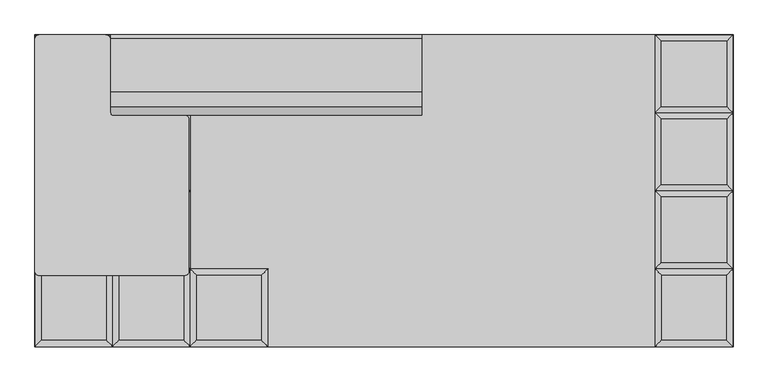
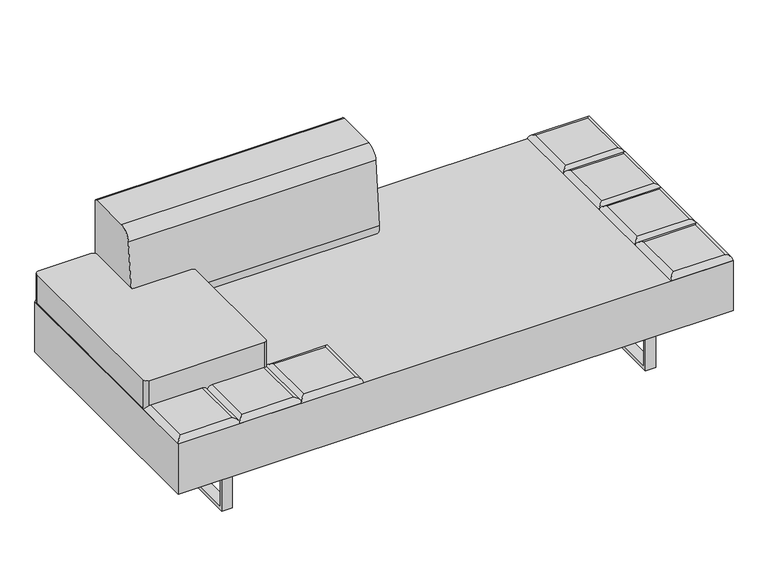
"""IFC4 building model written with IfcOpenShell, lengths in millimetres: furniture geometry."""

from ifc_helpers import new_model, si_unit, point, frame, frame_2d, origin, place, context, project, spatial, polyline, circle_curve, ellipse_curve, trimmed, segment, composite_curve, outline, extrude, source, transform, mapped, element, save
from ifc_brep_helpers import plane_surface, cylinder_surface, advanced_brep


def furniture_06182e2f(model_context):
    return source(origin(), model_context, "Body", "SolidModel", [
        advanced_brep(
        [(-330.2, -222.25, 393.7), (-348.1605122, -240.2105122, 411.6605122), (-348.1605122, -426.5394878, 411.6605122), (-330.2, -444.5, 393.7), (-534.4894878, -426.5394878, 411.6605122), (-552.45, -444.5, 393.7), (-534.4894878, -240.2105122, 411.6605122), (-552.45, -222.25, 393.7)],
        [
            (0, 1, ellipse_curve(frame((-348.1605122, -240.2105122, 393.7), z_axis=(0.7071067811865475, -0.7071067811865475, 0.0), x_axis=(0.7071067811865474, 0.7071067811865476, 0.0)), 25.4, 17.9605122)),
            (1, 2),
            (2, 3, ellipse_curve(frame((-348.1605122, -426.5394878, 393.7), z_axis=(0.7071067811865475, 0.7071067811865475, 0.0), x_axis=(-0.7071067811865474, 0.7071067811865476, 0.0)), 25.4, 17.9605122)),
            (3, 0),
            (2, 4),
            (4, 5, ellipse_curve(frame((-534.4894878, -426.5394878, 393.7), z_axis=(0.7071067811865475, -0.7071067811865475, 0.0), x_axis=(0.7071067811865476, 0.7071067811865474, 0.0)), 25.4, 17.9605122)),
            (5, 3),
            (4, 6),
            (6, 7, ellipse_curve(frame((-534.4894878, -240.2105122, 393.7), z_axis=(-0.7071067811865475, -0.7071067811865475, 0.0), x_axis=(0.7071067811865474, -0.7071067811865476, 0.0)), 25.4, 17.9605122)),
            (7, 5),
            (0, 7),
            (6, 1),
        ],
        [
            cylinder_surface(frame((-348.1605122, -222.25, 393.7), z_axis=(0.0, 1.0, 0.0), x_axis=(1.0, 0.0, 0.0)), 17.9605122),
            cylinder_surface(frame((-330.2, -426.5394878, 393.7), z_axis=(1.0, 0.0, 0.0), x_axis=(0.0, -1.0, 0.0)), 17.9605122),
            cylinder_surface(frame((-534.4894878, -444.5, 393.7), z_axis=(0.0, -1.0, 0.0), x_axis=(-1.0, 0.0, 0.0)), 17.9605122),
            cylinder_surface(frame((-552.45, -240.2105122, 393.7), z_axis=(-1.0, 0.0, 0.0), x_axis=(0.0, 1.0, 0.0)), 17.9605122),
            plane_surface(frame((-552.45, -222.25, 393.7), z_axis=(0.0, 0.0, -1.0), x_axis=(1.0, 0.0, 0.0))),
            plane_surface(frame((-534.4894878, -240.2105122, 411.6605122), z_axis=(0.0, 0.0, 1.0), x_axis=(-1.0, 0.0, 0.0))),
        ],
        [
            (0, [[1, 2, 3, 4]]),
            (1, [[-3, 5, 6, 7]]),
            (2, [[-6, 8, 9, 10]]),
            (3, [[-1, 11, -9, 12]]),
            (4, [[-4, -7, -10, -11]]),
            (5, [[-2, -12, -8, -5]]),
        ],
    ),
        advanced_brep(
        [(-568.8230122, -204.2894878, 411.6605122), (-568.8230122, -17.9605122, 411.6605122), (-755.1519878, -17.9605122, 411.6605122), (-755.1519878, -204.2894878, 411.6605122), (-550.8625, 0.0, 393.7), (-550.8625, -222.25, 393.7), (-773.1125, -222.25, 393.7), (-773.1125, 0.0, 393.7)],
        [
            (0, 1),
            (1, 2),
            (2, 3),
            (3, 0),
            (4, 5),
            (5, 6),
            (6, 7),
            (7, 4),
            (4, 1, ellipse_curve(frame((-568.8230122, -17.9605122, 393.7), z_axis=(0.7071067811865475, -0.7071067811865475, 0.0), x_axis=(0.7071067811865474, 0.7071067811865476, 0.0)), 25.4, 17.9605122)),
            (0, 5, ellipse_curve(frame((-568.8230122, -204.2894878, 393.7), z_axis=(0.7071067811865475, 0.7071067811865475, 0.0), x_axis=(-0.7071067811865474, 0.7071067811865476, 0.0)), 25.4, 17.9605122)),
            (3, 6, ellipse_curve(frame((-755.1519878, -204.2894878, 393.7), z_axis=(0.7071067811865475, -0.7071067811865475, 0.0), x_axis=(0.7071067811865476, 0.7071067811865474, 0.0)), 25.4, 17.9605122)),
            (2, 7, ellipse_curve(frame((-755.1519878, -17.9605122, 393.7), z_axis=(-0.7071067811865475, -0.7071067811865475, 0.0), x_axis=(0.7071067811865474, -0.7071067811865476, 0.0)), 25.4, 17.9605122)),
        ],
        [
            plane_surface(frame((-755.1519878, -17.9605122, 411.6605122), z_axis=(0.0, 0.0, 1.0), x_axis=(-1.0, 0.0, 0.0))),
            plane_surface(frame((-755.1519878, -17.9605122, 393.7), z_axis=(0.0, 0.0, -1.0), x_axis=(1.0, 0.0, 0.0))),
            cylinder_surface(frame((-568.8230122, 0.0, 393.7), z_axis=(0.0, 1.0, 0.0), x_axis=(1.0, 0.0, 0.0)), 17.9605122),
            cylinder_surface(frame((-550.8625, -204.2894878, 393.7), z_axis=(1.0, 0.0, 0.0), x_axis=(0.0, -1.0, 0.0)), 17.9605122),
            cylinder_surface(frame((-755.1519878, -222.25, 393.7), z_axis=(0.0, -1.0, 0.0), x_axis=(-1.0, 0.0, 0.0)), 17.9605122),
            cylinder_surface(frame((-773.1125, -17.9605122, 393.7), z_axis=(-1.0, 0.0, 0.0), x_axis=(0.0, 1.0, 0.0)), 17.9605122),
        ],
        [
            (0, [[1, 2, 3, 4]]),
            (1, [[5, 6, 7, 8]]),
            (2, [[9, -1, 10, -5]]),
            (3, [[-10, -4, 11, -6]]),
            (4, [[-11, -3, 12, -7]]),
            (5, [[-9, -8, -12, -2]]),
        ],
    ),
        advanced_brep(
        [(-568.8230122, 17.9605122, 411.6605122), (-568.8230122, 204.2894878, 411.6605122), (-755.1519878, 204.2894878, 411.6605122), (-755.1519878, 17.9605122, 411.6605122), (-550.8625, 222.25, 393.7), (-550.8625, 0.0, 393.7), (-773.1125, 0.0, 393.7), (-773.1125, 222.25, 393.7)],
        [
            (0, 1),
            (1, 2),
            (2, 3),
            (3, 0),
            (4, 5),
            (5, 6),
            (6, 7),
            (7, 4),
            (4, 1, ellipse_curve(frame((-568.8230122, 204.2894878, 393.7), z_axis=(0.7071067811865475, -0.7071067811865475, 0.0), x_axis=(0.7071067811865474, 0.7071067811865476, 0.0)), 25.4, 17.9605122)),
            (0, 5, ellipse_curve(frame((-568.8230122, 17.9605122, 393.7), z_axis=(0.7071067811865475, 0.7071067811865475, 0.0), x_axis=(-0.7071067811865474, 0.7071067811865476, 0.0)), 25.4, 17.9605122)),
            (3, 6, ellipse_curve(frame((-755.1519878, 17.9605122, 393.7), z_axis=(0.7071067811865475, -0.7071067811865475, 0.0), x_axis=(0.7071067811865476, 0.7071067811865474, 0.0)), 25.4, 17.9605122)),
            (2, 7, ellipse_curve(frame((-755.1519878, 204.2894878, 393.7), z_axis=(-0.7071067811865475, -0.7071067811865475, 0.0), x_axis=(0.7071067811865474, -0.7071067811865476, 0.0)), 25.4, 17.9605122)),
        ],
        [
            plane_surface(frame((-755.1519878, 204.2894878, 411.6605122), z_axis=(0.0, 0.0, 1.0), x_axis=(-1.0, 0.0, 0.0))),
            plane_surface(frame((-755.1519878, 204.2894878, 393.7), z_axis=(0.0, 0.0, -1.0), x_axis=(1.0, 0.0, 0.0))),
            cylinder_surface(frame((-568.8230122, 222.25, 393.7), z_axis=(0.0, 1.0, 0.0), x_axis=(1.0, 0.0, 0.0)), 17.9605122),
            cylinder_surface(frame((-550.8625, 17.9605122, 393.7), z_axis=(1.0, 0.0, 0.0), x_axis=(0.0, -1.0, 0.0)), 17.9605122),
            cylinder_surface(frame((-755.1519878, 0.0, 393.7), z_axis=(0.0, -1.0, 0.0), x_axis=(-1.0, 0.0, 0.0)), 17.9605122),
            cylinder_surface(frame((-773.1125, 204.2894878, 393.7), z_axis=(-1.0, 0.0, 0.0), x_axis=(0.0, 1.0, 0.0)), 17.9605122),
        ],
        [
            (0, [[1, 2, 3, 4]]),
            (1, [[5, 6, 7, 8]]),
            (2, [[9, -1, 10, -5]]),
            (3, [[-10, -4, 11, -6]]),
            (4, [[-11, -3, 12, -7]]),
            (5, [[-9, -8, -12, -2]]),
        ],
    ),
        advanced_brep(
        [(-568.8230122, 240.2105122, 411.6605122), (-568.8230122, 426.5394878, 411.6605122), (-755.1519878, 426.5394878, 411.6605122), (-755.1519878, 240.2105122, 411.6605122), (-550.8625, 444.5, 393.7), (-550.8625, 222.25, 393.7), (-773.1125, 222.25, 393.7), (-773.1125, 444.5, 393.7)],
        [
            (0, 1),
            (1, 2),
            (2, 3),
            (3, 0),
            (4, 5),
            (5, 6),
            (6, 7),
            (7, 4),
            (4, 1, ellipse_curve(frame((-568.8230122, 426.5394878, 393.7), z_axis=(0.7071067811865475, -0.7071067811865475, 0.0), x_axis=(0.7071067811865474, 0.7071067811865476, 0.0)), 25.4, 17.9605122)),
            (0, 5, ellipse_curve(frame((-568.8230122, 240.2105122, 393.7), z_axis=(0.7071067811865475, 0.7071067811865475, 0.0), x_axis=(-0.7071067811865474, 0.7071067811865476, 0.0)), 25.4, 17.9605122)),
            (3, 6, ellipse_curve(frame((-755.1519878, 240.2105122, 393.7), z_axis=(0.7071067811865475, -0.7071067811865475, 0.0), x_axis=(0.7071067811865476, 0.7071067811865474, 0.0)), 25.4, 17.9605122)),
            (2, 7, ellipse_curve(frame((-755.1519878, 426.5394878, 393.7), z_axis=(-0.7071067811865475, -0.7071067811865475, 0.0), x_axis=(0.7071067811865474, -0.7071067811865476, 0.0)), 25.4, 17.9605122)),
        ],
        [
            plane_surface(frame((-755.1519878, 426.5394878, 411.6605122), z_axis=(0.0, 0.0, 1.0), x_axis=(-1.0, 0.0, 0.0))),
            plane_surface(frame((-755.1519878, 426.5394878, 393.7), z_axis=(0.0, 0.0, -1.0), x_axis=(1.0, 0.0, 0.0))),
            cylinder_surface(frame((-568.8230122, 444.5, 393.7), z_axis=(0.0, 1.0, 0.0), x_axis=(1.0, 0.0, 0.0)), 17.9605122),
            cylinder_surface(frame((-550.8625, 240.2105122, 393.7), z_axis=(1.0, 0.0, 0.0), x_axis=(0.0, -1.0, 0.0)), 17.9605122),
            cylinder_surface(frame((-755.1519878, 222.25, 393.7), z_axis=(0.0, -1.0, 0.0), x_axis=(-1.0, 0.0, 0.0)), 17.9605122),
            cylinder_surface(frame((-773.1125, 426.5394878, 393.7), z_axis=(-1.0, 0.0, 0.0), x_axis=(0.0, 1.0, 0.0)), 17.9605122),
        ],
        [
            (0, [[1, 2, 3, 4]]),
            (1, [[5, 6, 7, 8]]),
            (2, [[9, -1, 10, -5]]),
            (3, [[-10, -4, 11, -6]]),
            (4, [[-11, -3, 12, -7]]),
            (5, [[-9, -8, -12, -2]]),
        ],
    ),
        advanced_brep(
        [(-550.8625, -222.25, 393.7), (-568.8230122, -240.2105122, 411.6605122), (-568.8230122, -426.5394878, 411.6605122), (-550.8625, -444.5, 393.7), (-755.1519878, -426.5394878, 411.6605122), (-773.1125, -444.5, 393.7), (-755.1519878, -240.2105122, 411.6605122), (-773.1125, -222.25, 393.7)],
        [
            (0, 1, ellipse_curve(frame((-568.8230122, -240.2105122, 393.7), z_axis=(0.7071067811865475, -0.7071067811865475, 0.0), x_axis=(0.7071067811865474, 0.7071067811865476, 0.0)), 25.4, 17.9605122)),
            (1, 2),
            (2, 3, ellipse_curve(frame((-568.8230122, -426.5394878, 393.7), z_axis=(0.7071067811865475, 0.7071067811865475, 0.0), x_axis=(-0.7071067811865474, 0.7071067811865476, 0.0)), 25.4, 17.9605122)),
            (3, 0),
            (2, 4),
            (4, 5, ellipse_curve(frame((-755.1519878, -426.5394878, 393.7), z_axis=(0.7071067811865475, -0.7071067811865475, 0.0), x_axis=(0.7071067811865476, 0.7071067811865474, 0.0)), 25.4, 17.9605122)),
            (5, 3),
            (4, 6),
            (6, 7, ellipse_curve(frame((-755.1519878, -240.2105122, 393.7), z_axis=(-0.7071067811865475, -0.7071067811865475, 0.0), x_axis=(0.7071067811865474, -0.7071067811865476, 0.0)), 25.4, 17.9605122)),
            (7, 5),
            (0, 7),
            (6, 1),
        ],
        [
            cylinder_surface(frame((-568.8230122, -222.25, 393.7), z_axis=(0.0, 1.0, 0.0), x_axis=(1.0, 0.0, 0.0)), 17.9605122),
            cylinder_surface(frame((-550.8625, -426.5394878, 393.7), z_axis=(1.0, 0.0, 0.0), x_axis=(0.0, -1.0, 0.0)), 17.9605122),
            cylinder_surface(frame((-755.1519878, -444.5, 393.7), z_axis=(0.0, -1.0, 0.0), x_axis=(-1.0, 0.0, 0.0)), 17.9605122),
            cylinder_surface(frame((-773.1125, -240.2105122, 393.7), z_axis=(-1.0, 0.0, 0.0), x_axis=(0.0, 1.0, 0.0)), 17.9605122),
            plane_surface(frame((-773.1125, -222.25, 393.7), z_axis=(0.0, 0.0, -1.0), x_axis=(1.0, 0.0, 0.0))),
            plane_surface(frame((-755.1519878, -240.2105122, 411.6605122), z_axis=(0.0, 0.0, 1.0), x_axis=(-1.0, 0.0, 0.0))),
        ],
        [
            (0, [[1, 2, 3, 4]]),
            (1, [[-3, 5, 6, 7]]),
            (2, [[-6, 8, 9, 10]]),
            (3, [[-1, 11, -9, 12]]),
            (4, [[-4, -7, -10, -11]]),
            (5, [[-2, -12, -8, -5]]),
        ],
    ),
        advanced_brep(
        [(975.8144878, -204.2894878, 411.6605122), (975.8144878, -17.9605122, 411.6605122), (789.4855122, -17.9605122, 411.6605122), (789.4855122, -204.2894878, 411.6605122), (993.775, 0.0, 393.7), (993.775, -222.25, 393.7), (771.525, -222.25, 393.7), (771.525, 0.0, 393.7)],
        [
            (0, 1),
            (1, 2),
            (2, 3),
            (3, 0),
            (4, 5),
            (5, 6),
            (6, 7),
            (7, 4),
            (4, 1, ellipse_curve(frame((975.8144878, -17.9605122, 393.7), z_axis=(0.7071067811865475, -0.7071067811865475, 0.0), x_axis=(0.7071067811865474, 0.7071067811865476, 0.0)), 25.4, 17.9605122)),
            (0, 5, ellipse_curve(frame((975.8144878, -204.2894878, 393.7), z_axis=(0.7071067811865475, 0.7071067811865475, 0.0), x_axis=(-0.7071067811865474, 0.7071067811865476, 0.0)), 25.4, 17.9605122)),
            (3, 6, ellipse_curve(frame((789.4855122, -204.2894878, 393.7), z_axis=(0.7071067811865475, -0.7071067811865475, 0.0), x_axis=(0.7071067811865476, 0.7071067811865474, 0.0)), 25.4, 17.9605122)),
            (2, 7, ellipse_curve(frame((789.4855122, -17.9605122, 393.7), z_axis=(-0.7071067811865475, -0.7071067811865475, 0.0), x_axis=(0.7071067811865474, -0.7071067811865476, 0.0)), 25.4, 17.9605122)),
        ],
        [
            plane_surface(frame((789.4855122, -17.9605122, 411.6605122), z_axis=(0.0, 0.0, 1.0), x_axis=(-1.0, 0.0, 0.0))),
            plane_surface(frame((789.4855122, -17.9605122, 393.7), z_axis=(0.0, 0.0, -1.0), x_axis=(1.0, 0.0, 0.0))),
            cylinder_surface(frame((975.8144878, 0.0, 393.7), z_axis=(0.0, 1.0, 0.0), x_axis=(1.0, 0.0, 0.0)), 17.9605122),
            cylinder_surface(frame((993.775, -204.2894878, 393.7), z_axis=(1.0, 0.0, 0.0), x_axis=(0.0, -1.0, 0.0)), 17.9605122),
            cylinder_surface(frame((789.4855122, -222.25, 393.7), z_axis=(0.0, -1.0, 0.0), x_axis=(-1.0, 0.0, 0.0)), 17.9605122),
            cylinder_surface(frame((771.525, -17.9605122, 393.7), z_axis=(-1.0, 0.0, 0.0), x_axis=(0.0, 1.0, 0.0)), 17.9605122),
        ],
        [
            (0, [[1, 2, 3, 4]]),
            (1, [[5, 6, 7, 8]]),
            (2, [[9, -1, 10, -5]]),
            (3, [[-10, -4, 11, -6]]),
            (4, [[-11, -3, 12, -7]]),
            (5, [[-9, -8, -12, -2]]),
        ],
    ),
        advanced_brep(
        [(975.8144878, 17.9605122, 411.6605122), (975.8144878, 204.2894878, 411.6605122), (789.4855122, 204.2894878, 411.6605122), (789.4855122, 17.9605122, 411.6605122), (993.775, 222.25, 393.7), (993.775, 0.0, 393.7), (771.525, 0.0, 393.7), (771.525, 222.25, 393.7)],
        [
            (0, 1),
            (1, 2),
            (2, 3),
            (3, 0),
            (4, 5),
            (5, 6),
            (6, 7),
            (7, 4),
            (4, 1, ellipse_curve(frame((975.8144878, 204.2894878, 393.7), z_axis=(0.7071067811865475, -0.7071067811865475, 0.0), x_axis=(0.7071067811865474, 0.7071067811865476, 0.0)), 25.4, 17.9605122)),
            (0, 5, ellipse_curve(frame((975.8144878, 17.9605122, 393.7), z_axis=(0.7071067811865475, 0.7071067811865475, 0.0), x_axis=(-0.7071067811865474, 0.7071067811865476, 0.0)), 25.4, 17.9605122)),
            (3, 6, ellipse_curve(frame((789.4855122, 17.9605122, 393.7), z_axis=(0.7071067811865475, -0.7071067811865475, 0.0), x_axis=(0.7071067811865476, 0.7071067811865474, 0.0)), 25.4, 17.9605122)),
            (2, 7, ellipse_curve(frame((789.4855122, 204.2894878, 393.7), z_axis=(-0.7071067811865475, -0.7071067811865475, 0.0), x_axis=(0.7071067811865474, -0.7071067811865476, 0.0)), 25.4, 17.9605122)),
        ],
        [
            plane_surface(frame((789.4855122, 204.2894878, 411.6605122), z_axis=(0.0, 0.0, 1.0), x_axis=(-1.0, 0.0, 0.0))),
            plane_surface(frame((789.4855122, 204.2894878, 393.7), z_axis=(0.0, 0.0, -1.0), x_axis=(1.0, 0.0, 0.0))),
            cylinder_surface(frame((975.8144878, 222.25, 393.7), z_axis=(0.0, 1.0, 0.0), x_axis=(1.0, 0.0, 0.0)), 17.9605122),
            cylinder_surface(frame((993.775, 17.9605122, 393.7), z_axis=(1.0, 0.0, 0.0), x_axis=(0.0, -1.0, 0.0)), 17.9605122),
            cylinder_surface(frame((789.4855122, 0.0, 393.7), z_axis=(0.0, -1.0, 0.0), x_axis=(-1.0, 0.0, 0.0)), 17.9605122),
            cylinder_surface(frame((771.525, 204.2894878, 393.7), z_axis=(-1.0, 0.0, 0.0), x_axis=(0.0, 1.0, 0.0)), 17.9605122),
        ],
        [
            (0, [[1, 2, 3, 4]]),
            (1, [[5, 6, 7, 8]]),
            (2, [[9, -1, 10, -5]]),
            (3, [[-10, -4, 11, -6]]),
            (4, [[-11, -3, 12, -7]]),
            (5, [[-9, -8, -12, -2]]),
        ],
    ),
        advanced_brep(
        [(975.8144878, 240.2105122, 411.6605122), (975.8144878, 426.5394878, 411.6605122), (789.4855122, 426.5394878, 411.6605122), (789.4855122, 240.2105122, 411.6605122), (993.775, 444.5, 393.7), (993.775, 222.25, 393.7), (771.525, 222.25, 393.7), (771.525, 444.5, 393.7)],
        [
            (0, 1),
            (1, 2),
            (2, 3),
            (3, 0),
            (4, 5),
            (5, 6),
            (6, 7),
            (7, 4),
            (4, 1, ellipse_curve(frame((975.8144878, 426.5394878, 393.7), z_axis=(0.7071067811865475, -0.7071067811865475, 0.0), x_axis=(0.7071067811865474, 0.7071067811865476, 0.0)), 25.4, 17.9605122)),
            (0, 5, ellipse_curve(frame((975.8144878, 240.2105122, 393.7), z_axis=(0.7071067811865475, 0.7071067811865475, 0.0), x_axis=(-0.7071067811865474, 0.7071067811865476, 0.0)), 25.4, 17.9605122)),
            (3, 6, ellipse_curve(frame((789.4855122, 240.2105122, 393.7), z_axis=(0.7071067811865475, -0.7071067811865475, 0.0), x_axis=(0.7071067811865476, 0.7071067811865474, 0.0)), 25.4, 17.9605122)),
            (2, 7, ellipse_curve(frame((789.4855122, 426.5394878, 393.7), z_axis=(-0.7071067811865475, -0.7071067811865475, 0.0), x_axis=(0.7071067811865474, -0.7071067811865476, 0.0)), 25.4, 17.9605122)),
        ],
        [
            plane_surface(frame((789.4855122, 426.5394878, 411.6605122), z_axis=(0.0, 0.0, 1.0), x_axis=(-1.0, 0.0, 0.0))),
            plane_surface(frame((789.4855122, 426.5394878, 393.7), z_axis=(0.0, 0.0, -1.0), x_axis=(1.0, 0.0, 0.0))),
            cylinder_surface(frame((975.8144878, 444.5, 393.7), z_axis=(0.0, 1.0, 0.0), x_axis=(1.0, 0.0, 0.0)), 17.9605122),
            cylinder_surface(frame((993.775, 240.2105122, 393.7), z_axis=(1.0, 0.0, 0.0), x_axis=(0.0, -1.0, 0.0)), 17.9605122),
            cylinder_surface(frame((789.4855122, 222.25, 393.7), z_axis=(0.0, -1.0, 0.0), x_axis=(-1.0, 0.0, 0.0)), 17.9605122),
            cylinder_surface(frame((771.525, 426.5394878, 393.7), z_axis=(-1.0, 0.0, 0.0), x_axis=(0.0, 1.0, 0.0)), 17.9605122),
        ],
        [
            (0, [[1, 2, 3, 4]]),
            (1, [[5, 6, 7, 8]]),
            (2, [[9, -1, 10, -5]]),
            (3, [[-10, -4, 11, -6]]),
            (4, [[-11, -3, 12, -7]]),
            (5, [[-9, -8, -12, -2]]),
        ],
    ),
        advanced_brep(
        [(993.775, -222.25, 393.7), (975.8144878, -240.2105122, 411.6605122), (975.8144878, -426.5394878, 411.6605122), (993.775, -444.5, 393.7), (789.4855122, -426.5394878, 411.6605122), (771.525, -444.5, 393.7), (789.4855122, -240.2105122, 411.6605122), (771.525, -222.25, 393.7)],
        [
            (0, 1, ellipse_curve(frame((975.8144878, -240.2105122, 393.7), z_axis=(0.7071067811865475, -0.7071067811865475, 0.0), x_axis=(0.7071067811865474, 0.7071067811865476, 0.0)), 25.4, 17.9605122)),
            (1, 2),
            (2, 3, ellipse_curve(frame((975.8144878, -426.5394878, 393.7), z_axis=(0.7071067811865475, 0.7071067811865475, 0.0), x_axis=(-0.7071067811865474, 0.7071067811865476, 0.0)), 25.4, 17.9605122)),
            (3, 0),
            (2, 4),
            (4, 5, ellipse_curve(frame((789.4855122, -426.5394878, 393.7), z_axis=(0.7071067811865475, -0.7071067811865475, 0.0), x_axis=(0.7071067811865476, 0.7071067811865474, 0.0)), 25.4, 17.9605122)),
            (5, 3),
            (4, 6),
            (6, 7, ellipse_curve(frame((789.4855122, -240.2105122, 393.7), z_axis=(-0.7071067811865475, -0.7071067811865475, 0.0), x_axis=(0.7071067811865474, -0.7071067811865476, 0.0)), 25.4, 17.9605122)),
            (7, 5),
            (0, 7),
            (6, 1),
        ],
        [
            cylinder_surface(frame((975.8144878, -222.25, 393.7), z_axis=(0.0, 1.0, 0.0), x_axis=(1.0, 0.0, 0.0)), 17.9605122),
            cylinder_surface(frame((993.775, -426.5394878, 393.7), z_axis=(1.0, 0.0, 0.0), x_axis=(0.0, -1.0, 0.0)), 17.9605122),
            cylinder_surface(frame((789.4855122, -444.5, 393.7), z_axis=(0.0, -1.0, 0.0), x_axis=(-1.0, 0.0, 0.0)), 17.9605122),
            cylinder_surface(frame((771.525, -240.2105122, 393.7), z_axis=(-1.0, 0.0, 0.0), x_axis=(0.0, 1.0, 0.0)), 17.9605122),
            plane_surface(frame((771.525, -222.25, 393.7), z_axis=(0.0, 0.0, -1.0), x_axis=(1.0, 0.0, 0.0))),
            plane_surface(frame((789.4855122, -240.2105122, 411.6605122), z_axis=(0.0, 0.0, 1.0), x_axis=(-1.0, 0.0, 0.0))),
        ],
        [
            (0, [[1, 2, 3, 4]]),
            (1, [[-3, 5, 6, 7]]),
            (2, [[-6, 8, 9, 10]]),
            (3, [[-1, 11, -9, 12]]),
            (4, [[-4, -7, -10, -11]]),
            (5, [[-2, -12, -8, -5]]),
        ],
    ),
        advanced_brep(
        [(-789.4855122, -204.2894878, 411.6605122), (-789.4855122, -17.9605122, 411.6605122), (-975.8144878, -17.9605122, 411.6605122), (-975.8144878, -204.2894878, 411.6605122), (-771.525, 0.0, 393.7), (-771.525, -222.25, 393.7), (-993.775, -222.25, 393.7), (-993.775, 0.0, 393.7)],
        [
            (0, 1),
            (1, 2),
            (2, 3),
            (3, 0),
            (4, 5),
            (5, 6),
            (6, 7),
            (7, 4),
            (4, 1, ellipse_curve(frame((-789.4855122, -17.9605122, 393.7), z_axis=(0.7071067811865475, -0.7071067811865475, 0.0), x_axis=(0.7071067811865474, 0.7071067811865476, 0.0)), 25.4, 17.9605122)),
            (0, 5, ellipse_curve(frame((-789.4855122, -204.2894878, 393.7), z_axis=(0.7071067811865475, 0.7071067811865475, 0.0), x_axis=(-0.7071067811865474, 0.7071067811865476, 0.0)), 25.4, 17.9605122)),
            (3, 6, ellipse_curve(frame((-975.8144878, -204.2894878, 393.7), z_axis=(0.7071067811865475, -0.7071067811865475, 0.0), x_axis=(0.7071067811865476, 0.7071067811865474, 0.0)), 25.4, 17.9605122)),
            (2, 7, ellipse_curve(frame((-975.8144878, -17.9605122, 393.7), z_axis=(-0.7071067811865475, -0.7071067811865475, 0.0), x_axis=(0.7071067811865474, -0.7071067811865476, 0.0)), 25.4, 17.9605122)),
        ],
        [
            plane_surface(frame((-975.8144878, -17.9605122, 411.6605122), z_axis=(0.0, 0.0, 1.0), x_axis=(-1.0, 0.0, 0.0))),
            plane_surface(frame((-975.8144878, -17.9605122, 393.7), z_axis=(0.0, 0.0, -1.0), x_axis=(1.0, 0.0, 0.0))),
            cylinder_surface(frame((-789.4855122, 0.0, 393.7), z_axis=(0.0, 1.0, 0.0), x_axis=(1.0, 0.0, 0.0)), 17.9605122),
            cylinder_surface(frame((-771.525, -204.2894878, 393.7), z_axis=(1.0, 0.0, 0.0), x_axis=(0.0, -1.0, 0.0)), 17.9605122),
            cylinder_surface(frame((-975.8144878, -222.25, 393.7), z_axis=(0.0, -1.0, 0.0), x_axis=(-1.0, 0.0, 0.0)), 17.9605122),
            cylinder_surface(frame((-993.775, -17.9605122, 393.7), z_axis=(-1.0, 0.0, 0.0), x_axis=(0.0, 1.0, 0.0)), 17.9605122),
        ],
        [
            (0, [[1, 2, 3, 4]]),
            (1, [[5, 6, 7, 8]]),
            (2, [[9, -1, 10, -5]]),
            (3, [[-10, -4, 11, -6]]),
            (4, [[-11, -3, 12, -7]]),
            (5, [[-9, -8, -12, -2]]),
        ],
    ),
        advanced_brep(
        [(-789.4855122, 17.9605122, 411.6605122), (-789.4855122, 204.2894878, 411.6605122), (-975.8144878, 204.2894878, 411.6605122), (-975.8144878, 17.9605122, 411.6605122), (-771.525, 222.25, 393.7), (-771.525, 0.0, 393.7), (-993.775, 0.0, 393.7), (-993.775, 222.25, 393.7)],
        [
            (0, 1),
            (1, 2),
            (2, 3),
            (3, 0),
            (4, 5),
            (5, 6),
            (6, 7),
            (7, 4),
            (4, 1, ellipse_curve(frame((-789.4855122, 204.2894878, 393.7), z_axis=(0.7071067811865475, -0.7071067811865475, 0.0), x_axis=(0.7071067811865474, 0.7071067811865476, 0.0)), 25.4, 17.9605122)),
            (0, 5, ellipse_curve(frame((-789.4855122, 17.9605122, 393.7), z_axis=(0.7071067811865475, 0.7071067811865475, 0.0), x_axis=(-0.7071067811865474, 0.7071067811865476, 0.0)), 25.4, 17.9605122)),
            (3, 6, ellipse_curve(frame((-975.8144878, 17.9605122, 393.7), z_axis=(0.7071067811865475, -0.7071067811865475, 0.0), x_axis=(0.7071067811865476, 0.7071067811865474, 0.0)), 25.4, 17.9605122)),
            (2, 7, ellipse_curve(frame((-975.8144878, 204.2894878, 393.7), z_axis=(-0.7071067811865475, -0.7071067811865475, 0.0), x_axis=(0.7071067811865474, -0.7071067811865476, 0.0)), 25.4, 17.9605122)),
        ],
        [
            plane_surface(frame((-975.8144878, 204.2894878, 411.6605122), z_axis=(0.0, 0.0, 1.0), x_axis=(-1.0, 0.0, 0.0))),
            plane_surface(frame((-975.8144878, 204.2894878, 393.7), z_axis=(0.0, 0.0, -1.0), x_axis=(1.0, 0.0, 0.0))),
            cylinder_surface(frame((-789.4855122, 222.25, 393.7), z_axis=(0.0, 1.0, 0.0), x_axis=(1.0, 0.0, 0.0)), 17.9605122),
            cylinder_surface(frame((-771.525, 17.9605122, 393.7), z_axis=(1.0, 0.0, 0.0), x_axis=(0.0, -1.0, 0.0)), 17.9605122),
            cylinder_surface(frame((-975.8144878, 0.0, 393.7), z_axis=(0.0, -1.0, 0.0), x_axis=(-1.0, 0.0, 0.0)), 17.9605122),
            cylinder_surface(frame((-993.775, 204.2894878, 393.7), z_axis=(-1.0, 0.0, 0.0), x_axis=(0.0, 1.0, 0.0)), 17.9605122),
        ],
        [
            (0, [[1, 2, 3, 4]]),
            (1, [[5, 6, 7, 8]]),
            (2, [[9, -1, 10, -5]]),
            (3, [[-10, -4, 11, -6]]),
            (4, [[-11, -3, 12, -7]]),
            (5, [[-9, -8, -12, -2]]),
        ],
    ),
        advanced_brep(
        [(-789.4855122, 240.2105122, 411.6605122), (-789.4855122, 426.5394878, 411.6605122), (-975.8144878, 426.5394878, 411.6605122), (-975.8144878, 240.2105122, 411.6605122), (-771.525, 444.5, 393.7), (-771.525, 222.25, 393.7), (-993.775, 222.25, 393.7), (-993.775, 444.5, 393.7)],
        [
            (0, 1),
            (1, 2),
            (2, 3),
            (3, 0),
            (4, 5),
            (5, 6),
            (6, 7),
            (7, 4),
            (4, 1, ellipse_curve(frame((-789.4855122, 426.5394878, 393.7), z_axis=(0.7071067811865475, -0.7071067811865475, 0.0), x_axis=(0.7071067811865474, 0.7071067811865476, 0.0)), 25.4, 17.9605122)),
            (0, 5, ellipse_curve(frame((-789.4855122, 240.2105122, 393.7), z_axis=(0.7071067811865475, 0.7071067811865475, 0.0), x_axis=(-0.7071067811865474, 0.7071067811865476, 0.0)), 25.4, 17.9605122)),
            (3, 6, ellipse_curve(frame((-975.8144878, 240.2105122, 393.7), z_axis=(0.7071067811865475, -0.7071067811865475, 0.0), x_axis=(0.7071067811865476, 0.7071067811865474, 0.0)), 25.4, 17.9605122)),
            (2, 7, ellipse_curve(frame((-975.8144878, 426.5394878, 393.7), z_axis=(-0.7071067811865475, -0.7071067811865475, 0.0), x_axis=(0.7071067811865474, -0.7071067811865476, 0.0)), 25.4, 17.9605122)),
        ],
        [
            plane_surface(frame((-975.8144878, 426.5394878, 411.6605122), z_axis=(0.0, 0.0, 1.0), x_axis=(-1.0, 0.0, 0.0))),
            plane_surface(frame((-975.8144878, 426.5394878, 393.7), z_axis=(0.0, 0.0, -1.0), x_axis=(1.0, 0.0, 0.0))),
            cylinder_surface(frame((-789.4855122, 444.5, 393.7), z_axis=(0.0, 1.0, 0.0), x_axis=(1.0, 0.0, 0.0)), 17.9605122),
            cylinder_surface(frame((-771.525, 240.2105122, 393.7), z_axis=(1.0, 0.0, 0.0), x_axis=(0.0, -1.0, 0.0)), 17.9605122),
            cylinder_surface(frame((-975.8144878, 222.25, 393.7), z_axis=(0.0, -1.0, 0.0), x_axis=(-1.0, 0.0, 0.0)), 17.9605122),
            cylinder_surface(frame((-993.775, 426.5394878, 393.7), z_axis=(-1.0, 0.0, 0.0), x_axis=(0.0, 1.0, 0.0)), 17.9605122),
        ],
        [
            (0, [[1, 2, 3, 4]]),
            (1, [[5, 6, 7, 8]]),
            (2, [[9, -1, 10, -5]]),
            (3, [[-10, -4, 11, -6]]),
            (4, [[-11, -3, 12, -7]]),
            (5, [[-9, -8, -12, -2]]),
        ],
    ),
        advanced_brep(
        [(-771.525, -222.25, 393.7), (-789.4855122, -240.2105122, 411.6605122), (-789.4855122, -426.5394878, 411.6605122), (-771.525, -444.5, 393.7), (-975.8144878, -426.5394878, 411.6605122), (-993.775, -444.5, 393.7), (-975.8144878, -240.2105122, 411.6605122), (-993.775, -222.25, 393.7)],
        [
            (0, 1, ellipse_curve(frame((-789.4855122, -240.2105122, 393.7), z_axis=(0.7071067811865475, -0.7071067811865475, 0.0), x_axis=(0.7071067811865474, 0.7071067811865476, 0.0)), 25.4, 17.9605122)),
            (1, 2),
            (2, 3, ellipse_curve(frame((-789.4855122, -426.5394878, 393.7), z_axis=(0.7071067811865475, 0.7071067811865475, 0.0), x_axis=(-0.7071067811865474, 0.7071067811865476, 0.0)), 25.4, 17.9605122)),
            (3, 0),
            (2, 4),
            (4, 5, ellipse_curve(frame((-975.8144878, -426.5394878, 393.7), z_axis=(0.7071067811865475, -0.7071067811865475, 0.0), x_axis=(0.7071067811865476, 0.7071067811865474, 0.0)), 25.4, 17.9605122)),
            (5, 3),
            (4, 6),
            (6, 7, ellipse_curve(frame((-975.8144878, -240.2105122, 393.7), z_axis=(-0.7071067811865475, -0.7071067811865475, 0.0), x_axis=(0.7071067811865474, -0.7071067811865476, 0.0)), 25.4, 17.9605122)),
            (7, 5),
            (0, 7),
            (6, 1),
        ],
        [
            cylinder_surface(frame((-789.4855122, -222.25, 393.7), z_axis=(0.0, 1.0, 0.0), x_axis=(1.0, 0.0, 0.0)), 17.9605122),
            cylinder_surface(frame((-771.525, -426.5394878, 393.7), z_axis=(1.0, 0.0, 0.0), x_axis=(0.0, -1.0, 0.0)), 17.9605122),
            cylinder_surface(frame((-975.8144878, -444.5, 393.7), z_axis=(0.0, -1.0, 0.0), x_axis=(-1.0, 0.0, 0.0)), 17.9605122),
            cylinder_surface(frame((-993.775, -240.2105122, 393.7), z_axis=(-1.0, 0.0, 0.0), x_axis=(0.0, 1.0, 0.0)), 17.9605122),
            plane_surface(frame((-993.775, -222.25, 393.7), z_axis=(0.0, 0.0, -1.0), x_axis=(1.0, 0.0, 0.0))),
            plane_surface(frame((-975.8144878, -240.2105122, 411.6605122), z_axis=(0.0, 0.0, 1.0), x_axis=(-1.0, 0.0, 0.0))),
        ],
        [
            (0, [[1, 2, 3, 4]]),
            (1, [[-3, 5, 6, 7]]),
            (2, [[-6, 8, 9, 10]]),
            (3, [[-1, 11, -9, 12]]),
            (4, [[-4, -7, -10, -11]]),
            (5, [[-2, -12, -8, -5]]),
        ],
    ),
        extrude(outline(polyline([(-339.4724839, 0.0), (-339.4724839, 203.2), (341.6588694, 203.2), (341.6588694, 0.0), (-339.4724839, 0.0)]), holes=[polyline([(-326.7724839, 190.5), (-326.7724839, 12.7), (328.9588694, 12.7), (328.9588694, 190.5), (-326.7724839, 190.5)])]), frame((-777.875, 0.0, 0.0), z_axis=(1.0, 0.0, 0.0), x_axis=(0.0, 1.0, 0.0)), (0.0, 0.0, 1.0), 38.0999535),
        extrude(outline(polyline([(-339.4724839, 203.2), (341.6588694, 203.2), (341.6588694, 0.0), (-339.4724839, 0.0), (-339.4724839, 203.2)]), holes=[polyline([(-326.7724839, 12.7), (328.9588694, 12.7), (328.9588694, 190.5), (-326.7724839, 190.5), (-326.7724839, 12.7)])]), frame((739.7750465, 0.0, 0.0), z_axis=(1.0, 0.0, 0.0), x_axis=(0.0, 1.0, 0.0)), (0.0, 0.0, 1.0), 38.0999535),
        extrude(outline(polyline([(993.775, 444.5), (993.775, -444.5), (-993.775, -444.5), (-993.775, 444.5), (993.775, 444.5)])), frame((0.0, 0.0, 203.2), z_axis=(0.0, 0.0, 1.0), x_axis=(1.0, 0.0, 0.0)), (0.0, 0.0, 1.0), 190.5),
        extrude(outline(composite_curve([segment(polyline([(444.5, 393.7), (232.6067514, 393.7)]), True, "CONTINUOUS"), segment(trimmed(circle_curve(frame_2d((263.4189927, 430.9463408)), 48.3392606), [point((232.6067514, 393.7))], [point((215.3053904, 435.6116811))], False, "CARTESIAN"), True, "CONTINUOUS"), segment(polyline([(215.3053904, 435.6116811), (237.9512344, 669.1580194)]), True, "CONTINUOUS"), segment(trimmed(circle_curve(frame_2d((282.1937319, 664.8680412)), 44.45), [point((237.9512344, 669.1580194))], [point((282.1937319, 709.3180412))], False, "CARTESIAN"), True, "CONTINUOUS"), segment(polyline([(282.1937319, 709.3180412), (434.544558, 709.3180412)]), True, "CONTINUOUS"), segment(trimmed(circle_curve(frame_2d((434.544558, 699.3625993)), 9.955442), [point((434.544558, 709.3180412))], [point((444.5, 699.3625993))], False, "CARTESIAN"), True, "CONTINUOUS"), segment(polyline([(444.5, 699.3625993), (444.5, 393.7)]), True, "CONTINUOUS")], self_intersect=False)), frame((-777.875, 0.0, 0.0), z_axis=(1.0, 0.0, 0.0), x_axis=(0.0, 1.0, 0.0)), (0.0, 0.0, 1.0), 885.825),
        extrude(outline(composite_curve([segment(polyline([(-993.775, -228.6712032), (-993.775, 431.8166397)]), True, "CONTINUOUS"), segment(trimmed(circle_curve(frame_2d((-981.0916397, 431.8166397)), 12.6833603), [point((-993.775, 431.8166397))], [point((-981.0916397, 444.5))], False, "CARTESIAN"), True, "CONTINUOUS"), segment(polyline([(-981.0916397, 444.5), (-792.8853596, 444.5)]), True, "CONTINUOUS"), segment(trimmed(circle_curve(frame_2d((-792.8853596, 429.515495)), 14.984505), [point((-792.8853596, 444.5))], [point((-777.9008546, 429.515495))], False, "CARTESIAN"), True, "CONTINUOUS"), segment(polyline([(-777.9008546, 429.515495), (-777.9008546, 216.4627745)]), True, "CONTINUOUS"), segment(trimmed(circle_curve(frame_2d((-769.9214244, 235.6749267)), 20.8033194), [point((-777.9008546, 216.4627745))], [point((-766.9861124, 215.079732))], True, "CARTESIAN"), True, "CONTINUOUS"), segment(polyline([(-766.9861124, 215.079732), (-567.1248743, 215.079732)]), True, "CONTINUOUS"), segment(trimmed(circle_curve(frame_2d((-567.1248743, 203.5240696)), 11.5556624), [point((-567.1248743, 215.079732))], [point((-555.5692118, 203.5240696))], False, "CARTESIAN"), True, "CONTINUOUS"), segment(polyline([(-555.5692118, 203.5240696), (-555.5692118, -228.885974)]), True, "CONTINUOUS"), segment(trimmed(circle_curve(frame_2d((-567.9832379, -228.885974)), 12.414026), [point((-555.5692118, -228.885974))], [point((-567.9832379, -241.3))], False, "CARTESIAN"), True, "CONTINUOUS"), segment(polyline([(-567.9832379, -241.3), (-981.1462032, -241.3)]), True, "CONTINUOUS"), segment(trimmed(circle_curve(frame_2d((-981.1462032, -228.6712032)), 12.6287968), [point((-981.1462032, -241.3))], [point((-993.775, -228.6712032))], False, "CARTESIAN"), True, "CONTINUOUS")], self_intersect=False)), frame((0.0, 0.0, 393.7), z_axis=(0.0, 0.0, 1.0), x_axis=(1.0, 0.0, 0.0)), (0.0, 0.0, 1.0), 111.7620251),
    ])


if __name__ == "__main__":
    model = new_model("IFC4")
    model_context = context("Model", 3, world=origin())
    ifc_project = project(units=[si_unit("LENGTHUNIT", "METRE", prefix="MILLI")], contexts=[model_context])
    site = spatial("IfcSite", under=ifc_project)
    building = spatial("IfcBuilding", under=site)
    placement = place(None, origin())
    furniture_shape = furniture_06182e2f(model_context)
    element("IfcFurniture", 1, at=placement, inside=building, context=model_context, shape_type="MappedRepresentation", body=[
        mapped(furniture_shape, transform((0.0, 0.0, 0.0), x_axis=(1.0, 0.0, 0.0), y_axis=(0.0, 1.0, 0.0), z_axis=(0.0, 0.0, 1.0))),
    ])
    save(model, "model.ifc")
